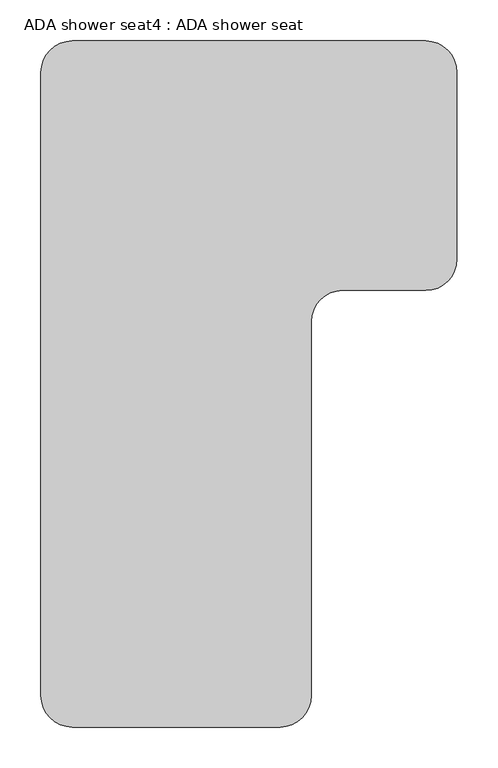
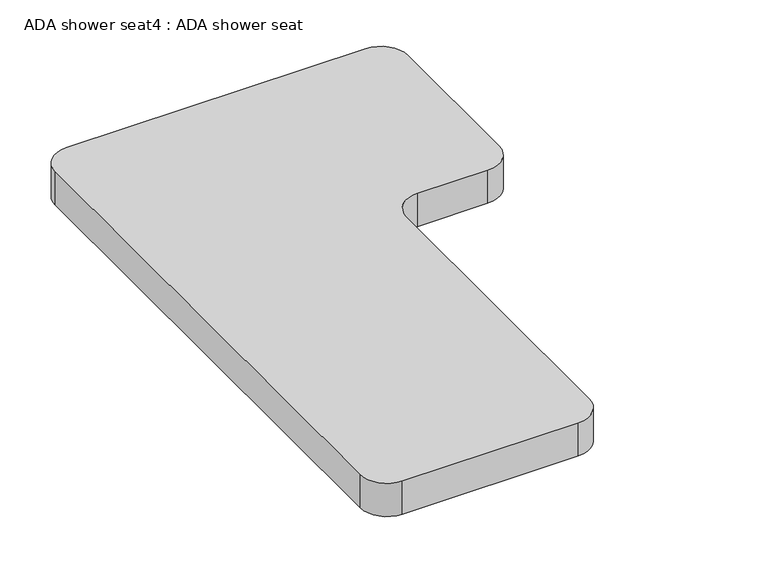
"""IFC4 building model written with IfcOpenShell, lengths in millimetres: proxy geometry, ADA shower seat4 : ADA shower seat."""

from ifc_helpers import new_model, si_unit, point, frame, frame_2d, origin, place, context, project, spatial, polyline, circle_curve, trimmed, segment, composite_curve, outline, extrude, source, transform, mapped, element, save


def ada_shower_seat4_ada_shower_seat_d2db236d(model_context):
    return source(origin(), model_context, "Body", "SweptSolid", [
        extrude(outline(composite_curve([segment(trimmed(circle_curve(frame_2d((-4242.796679, 52266.85)), 38.1), [point((-4242.796679, 52304.95))], [point((-4204.696679, 52266.85))], False, "CARTESIAN"), True, "CONTINUOUS"), segment(polyline([(-4204.696679, 52266.85), (-4204.696679, 52038.25)]), True, "CONTINUOUS"), segment(trimmed(circle_curve(frame_2d((-4242.796679, 52038.25)), 38.1), [point((-4204.696679, 52038.25))], [point((-4242.796679, 52000.15))], False, "CARTESIAN"), True, "CONTINUOUS"), segment(polyline([(-4242.796679, 52000.15), (-4344.396679, 52000.15)]), True, "CONTINUOUS"), segment(trimmed(circle_curve(frame_2d((-4344.396679, 51962.05)), 38.1), [point((-4344.396679, 52000.15))], [point((-4382.496679, 51962.05))], True, "CARTESIAN"), True, "CONTINUOUS"), segment(polyline([(-4382.496679, 51962.05), (-4382.496679, 51504.85)]), True, "CONTINUOUS"), segment(trimmed(circle_curve(frame_2d((-4420.596679, 51504.85)), 38.1), [point((-4382.496679, 51504.85))], [point((-4420.596679, 51466.75))], False, "CARTESIAN"), True, "CONTINUOUS"), segment(polyline([(-4420.596679, 51466.75), (-4674.596679, 51466.75)]), True, "CONTINUOUS"), segment(trimmed(circle_curve(frame_2d((-4674.596679, 51504.85)), 38.1), [point((-4674.596679, 51466.75))], [point((-4712.696679, 51504.85))], False, "CARTESIAN"), True, "CONTINUOUS"), segment(polyline([(-4712.696679, 51504.85), (-4712.696679, 52266.85)]), True, "CONTINUOUS"), segment(trimmed(circle_curve(frame_2d((-4674.596679, 52266.85)), 38.1), [point((-4712.696679, 52266.85))], [point((-4674.596679, 52304.95))], False, "CARTESIAN"), True, "CONTINUOUS"), segment(polyline([(-4674.596679, 52304.95), (-4242.796679, 52304.95)]), True, "CONTINUOUS")], self_intersect=False)), frame((0.0, 0.0, 406.4), z_axis=(0.0, 0.0, 1.0), x_axis=(1.0, 0.0, 0.0)), (0.0, 0.0, 1.0), 50.8),
    ])


if __name__ == "__main__":
    model = new_model("IFC4")
    model_context = context("Model", 3, world=origin())
    ifc_project = project(units=[si_unit("LENGTHUNIT", "METRE", prefix="MILLI")], contexts=[model_context])
    site = spatial("IfcSite", under=ifc_project)
    building = spatial("IfcBuilding", under=site)
    placement = place(None, origin())
    ada_shower_seat4_ada_shower_seat_shape = ada_shower_seat4_ada_shower_seat_d2db236d(model_context)
    element("IfcBuildingElementProxy", 1, Name="ADA shower seat4 : ADA shower seat", ObjectType="ADA shower seat4 : ADA shower seat", at=placement, inside=building, context=model_context, shape_type="MappedRepresentation", body=[
        mapped(ada_shower_seat4_ada_shower_seat_shape, transform((0.0, 0.0, 0.0), x_axis=(1.0, 0.0, 0.0), y_axis=(0.0, 1.0, 0.0), z_axis=(0.0, 0.0, 1.0))),
    ])
    save(model, "model.ifc")
